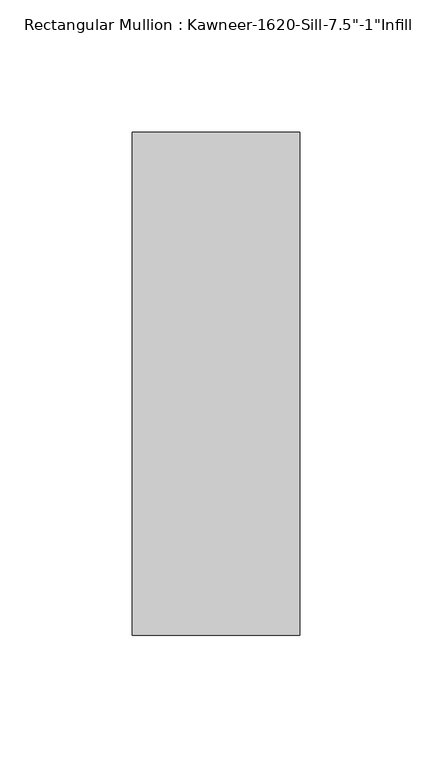
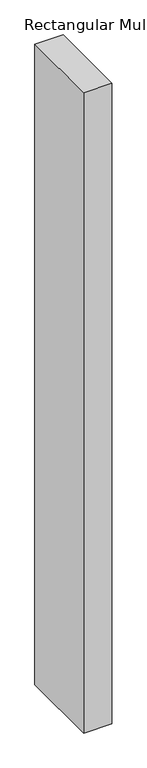
"""IFC4 building model written with IfcOpenShell, lengths in millimetres: member geometry."""

from ifc_helpers import new_model, si_unit, frame, origin, place, context, project, spatial, polyline, outline, extrude, source, transform, mapped, element, save


def member_81ac85e5(model_context):
    return source(origin(), model_context, "Body", "SweptSolid", [
        extrude(outline(polyline([(22.225, 38.1), (22.225, -152.4), (-41.275, -152.4), (-41.275, 38.1), (22.225, 38.1)])), frame((0.0, 0.0, -1524.0), z_axis=(0.0, 0.0, 1.0), x_axis=(1.0, 0.0, 0.0)), (0.0, 0.0, 1.0), 1524.0),
    ])


if __name__ == "__main__":
    model = new_model("IFC4")
    model_context = context("Model", 3, world=origin())
    ifc_project = project(units=[si_unit("LENGTHUNIT", "METRE", prefix="MILLI")], contexts=[model_context])
    site = spatial("IfcSite", under=ifc_project)
    building = spatial("IfcBuilding", under=site)
    placement = place(None, origin())
    member_shape = member_81ac85e5(model_context)
    element("IfcMember", 1, ObjectType="Rectangular Mullion : Kawneer-1620-Sill-7.5\"-1\"Infill", at=placement, inside=building, context=model_context, shape_type="MappedRepresentation", body=[
        mapped(member_shape, transform((0.0, 0.0, 0.0), x_axis=(1.0, 0.0, 0.0), y_axis=(0.0, 1.0, 0.0), z_axis=(0.0, 0.0, 1.0))),
    ])
    save(model, "model.ifc")
